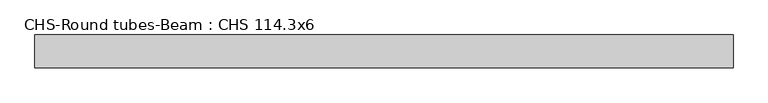
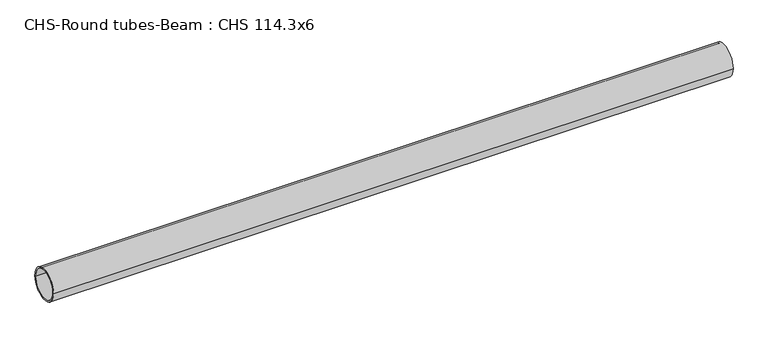
"""IFC4 building model written with IfcOpenShell, lengths in millimetres: beam geometry, CHS-Round tubes-Beam : CHS 114.3x6."""

from ifc_helpers import new_model, si_unit, point, frame, origin, origin_2d, place, context, project, spatial, circle_curve, trimmed, segment, composite_curve, outline, extrude, source, transform, mapped, element, save


def chs_round_tubes_beam_chs_114_3x6_0bf3716f(model_context):
    return source(origin(), model_context, "Body", "SweptSolid", [
        extrude(outline(composite_curve([segment(trimmed(circle_curve(origin_2d(), 57.15), [point((57.15, 0.0))], [point((-57.15, 0.0))], False, "CARTESIAN"), True, "CONTINUOUS"), segment(trimmed(circle_curve(origin_2d(), 57.15), [point((-57.15, 0.0))], [point((57.15, 0.0))], False, "CARTESIAN"), True, "CONTINUOUS")], self_intersect=False), holes=[composite_curve([segment(trimmed(circle_curve(origin_2d(), 51.15), [point((51.15, 0.0))], [point((-51.15, 0.0))], True, "CARTESIAN"), True, "CONTINUOUS"), segment(trimmed(circle_curve(origin_2d(), 51.15), [point((-51.15, 0.0))], [point((51.15, 0.0))], True, "CARTESIAN"), True, "CONTINUOUS")], self_intersect=False)]), frame((-1053.9776146, 0.0, 0.0), z_axis=(1.0, 0.0, 0.0), x_axis=(0.0, 1.0, 0.0)), (0.0, 0.0, 1.0), 2417.7305644),
    ])


if __name__ == "__main__":
    model = new_model("IFC4")
    model_context = context("Model", 3, world=origin())
    ifc_project = project(units=[si_unit("LENGTHUNIT", "METRE", prefix="MILLI")], contexts=[model_context])
    site = spatial("IfcSite", under=ifc_project)
    building = spatial("IfcBuilding", under=site)
    placement = place(None, origin())
    chs_round_tubes_beam_chs_114_3x6_shape = chs_round_tubes_beam_chs_114_3x6_0bf3716f(model_context)
    element("IfcBeam", 1, ObjectType="CHS-Round tubes-Beam : CHS 114.3x6", at=placement, inside=building, context=model_context, shape_type="MappedRepresentation", body=[
        mapped(chs_round_tubes_beam_chs_114_3x6_shape, transform((0.0, 0.0, 0.0), x_axis=(1.0, 0.0, 0.0), y_axis=(0.0, 1.0, 0.0), z_axis=(0.0, 0.0, 1.0))),
    ])
    save(model, "model.ifc")
